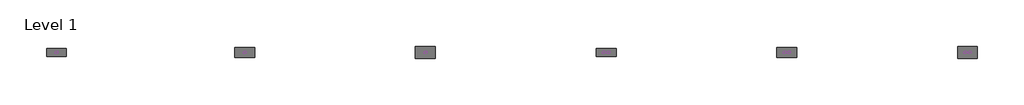
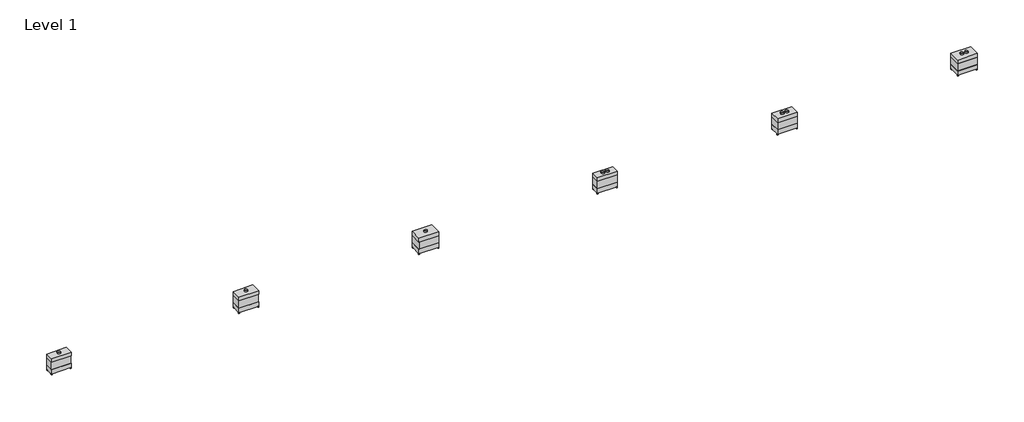
# One storey: 15 proxies.
"""IFC4 building model written with IfcOpenShell, lengths in millimetres."""

import ifcopenshell
import ifcopenshell.guid

model = None  # the IFC model being written
_history = None  # IfcOwnerHistory: only IFC2X3 demands one
_inside = {}  # id of a spatial element -> (the spatial element, [elements in it])
_under = {}  # id of a project, library or spatial element -> (it, [spatial elements below it])
_declared = {}  # id of a project -> (the project, [libraries it declares])
_typed = {}  # id of a type object -> (the type object, [elements of that type])
_made_of = {}  # id of a material, layer set ... -> (it, [elements and type objects made of it])


def new_model(schema):
    """Start an empty IFC model of exactly this schema.

    Asked for "IFC4X3", IfcOpenShell would pick the latest addendum, in which some entities
    have other attributes; the version numbers below select the first issue.
    IFC2X3 requires an IfcOwnerHistory on every rooted entity: one is made here for all.
    """
    global model, _history
    if schema == "IFC4X3":
        model = ifcopenshell.file(schema_version=(4, 3, 0, 0))
    else:
        model = ifcopenshell.file(schema=schema)
    _inside.clear()
    _under.clear()
    _declared.clear()
    _typed.clear()
    _made_of.clear()
    _history = None
    if model.schema == "IFC2X3":
        org = make("IfcOrganization", Name="unknown")
        user = make(
            "IfcPersonAndOrganization",
            ThePerson=make("IfcPerson", FamilyName="unknown"),
            TheOrganization=org,
        )
        app = make(
            "IfcApplication",
            ApplicationDeveloper=org,
            Version="unknown",
            ApplicationFullName="unknown",
            ApplicationIdentifier="unknown",
        )
        _history = make(
            "IfcOwnerHistory",
            OwningUser=user,
            OwningApplication=app,
            ChangeAction="ADDED",
            CreationDate=0,
        )
    return model


def make(cls, **values):
    """One entity of the class cls with the attributes given. An attribute that is None is left unset."""
    return model.create_entity(
        cls, **{name: value for name, value in values.items() if value is not None}
    )


def rooted(cls, **values):
    """An entity with a GlobalId (a new one), such as an element, a storey or a relation."""
    return make(cls, GlobalId=ifcopenshell.guid.new(), OwnerHistory=_history, **values)


def si_unit(unit_type, name, prefix=None):
    """IfcSIUnit, for example si_unit("LENGTHUNIT", "METRE", prefix="MILLI")."""
    return make("IfcSIUnit", UnitType=unit_type, Prefix=prefix, Name=name)


def assignment(units):
    """IfcUnitAssignment: the units of a project."""
    return None if units is None else make("IfcUnitAssignment", Units=units)


def point(xyz):
    """IfcCartesianPoint."""
    return None if xyz is None else make("IfcCartesianPoint", Coordinates=xyz)


def direction(xyz):
    """IfcDirection."""
    return None if xyz is None else make("IfcDirection", DirectionRatios=xyz)


def frame(location, z_axis=None, x_axis=None):
    """IfcAxis2Placement3D, a coordinate frame: its origin and axes. An axis left out is left unset."""
    return make(
        "IfcAxis2Placement3D",
        Location=point(location),
        Axis=direction(z_axis),
        RefDirection=direction(x_axis),
    )


def frame_2d(location, x_axis=None):
    """IfcAxis2Placement2D, a coordinate frame in the plane: its origin and x axis."""
    return make(
        "IfcAxis2Placement2D", Location=point(location), RefDirection=direction(x_axis)
    )


def origin():
    """The frame at (0, 0, 0) with its axes left unset."""
    return frame((0.0, 0.0, 0.0))


def origin_with_axes():
    """The frame at (0, 0, 0) with the z axis (0, 0, 1) and the x axis (1, 0, 0) written out."""
    return frame((0.0, 0.0, 0.0), z_axis=(0.0, 0.0, 1.0), x_axis=(1.0, 0.0, 0.0))


def origin_2d():
    """The frame at (0, 0) in the plane with its x axis left unset."""
    return frame_2d((0.0, 0.0))


def place(relative_to, where):
    """IfcLocalPlacement: puts the frame where relative to a parent placement (None: the world)."""
    return make(
        "IfcLocalPlacement", PlacementRelTo=relative_to, RelativePlacement=where
    )


def context(
    kind, dimensions, precision=None, world=None, true_north=None, identifier=None
):
    """IfcGeometricRepresentationContext, for example the 3D "Model" context."""
    return make(
        "IfcGeometricRepresentationContext",
        ContextIdentifier=identifier,
        ContextType=kind,
        CoordinateSpaceDimension=dimensions,
        Precision=precision,
        WorldCoordinateSystem=world,
        TrueNorth=true_north,
    )


def project(units=None, contexts=None):
    """IfcProject with its units and contexts."""
    return rooted(
        "IfcProject",
        Name="project",
        RepresentationContexts=contexts,
        UnitsInContext=assignment(units),
    )


def spatial(cls, under=None, at=None, **own):
    """A site, building, storey or space (cls), placed at a placement, below another one or the project."""
    s = rooted(cls, ObjectPlacement=at, **own)
    if under is not None:
        _under.setdefault(under.id(), (under, []))[1].append(s)
    return s


def polyline(points):
    """IfcPolyline through the points."""
    return make("IfcPolyline", Points=[point(p) for p in points])


def circle_curve(where, radius):
    """IfcCircle in the frame where."""
    return make("IfcCircle", Position=where, Radius=radius)


def trimmed(basis, trim1, trim2, sense, master):
    """IfcTrimmedCurve: the piece of a basis curve between two trims."""
    return make(
        "IfcTrimmedCurve",
        BasisCurve=basis,
        Trim1=trim1,
        Trim2=trim2,
        SenseAgreement=sense,
        MasterRepresentation=master,
    )


def segment(curve, same_sense, transition):
    """IfcCompositeCurveSegment."""
    return make(
        "IfcCompositeCurveSegment",
        Transition=transition,
        SameSense=same_sense,
        ParentCurve=curve,
    )


def composite_curve(segments, self_intersect=None):
    """IfcCompositeCurve: segments joined end to end."""
    return make("IfcCompositeCurve", Segments=segments, SelfIntersect=self_intersect)


def outline(outer, holes=None, kind="AREA"):
    """IfcArbitraryClosedProfileDef: a profile drawn as a closed curve; with holes, ...WithVoids."""
    if holes is None:
        return make("IfcArbitraryClosedProfileDef", ProfileType=kind, OuterCurve=outer)
    return make(
        "IfcArbitraryProfileDefWithVoids",
        ProfileType=kind,
        OuterCurve=outer,
        InnerCurves=holes,
    )


def extrude(swept, where, along, depth):
    """IfcExtrudedAreaSolid: the profile swept, set in the frame where, extruded along a direction by depth."""
    return make(
        "IfcExtrudedAreaSolid",
        SweptArea=swept,
        Position=where,
        ExtrudedDirection=direction(along),
        Depth=depth,
    )


def shape(context_of_items, identifier, shape_type, items):
    """IfcShapeRepresentation: the items that make up one representation, for example the "Body"."""
    return make(
        "IfcShapeRepresentation",
        ContextOfItems=context_of_items,
        RepresentationIdentifier=identifier,
        RepresentationType=shape_type,
        Items=items,
    )


def source(mapping_origin, context_of_items, identifier, shape_type, items):
    """IfcRepresentationMap: a shape defined once, which mapped items show again and again."""
    return make(
        "IfcRepresentationMap",
        MappingOrigin=mapping_origin,
        MappedRepresentation=shape(context_of_items, identifier, shape_type, items),
    )


def transform(
    local_origin,
    x_axis=None,
    y_axis=None,
    z_axis=None,
    scale=None,
    scale2=None,
    scale3=None,
    uniform=True,
):
    """IfcCartesianTransformationOperator3D, or its non-uniform kind. x_axis, y_axis, z_axis: its Axis1, 2, 3."""
    if uniform:
        return make(
            "IfcCartesianTransformationOperator3D",
            Axis1=direction(x_axis),
            Axis2=direction(y_axis),
            LocalOrigin=point(local_origin),
            Scale=scale,
            Axis3=direction(z_axis),
        )
    return make(
        "IfcCartesianTransformationOperator3DnonUniform",
        Axis1=direction(x_axis),
        Axis2=direction(y_axis),
        LocalOrigin=point(local_origin),
        Scale=scale,
        Axis3=direction(z_axis),
        Scale2=scale2,
        Scale3=scale3,
    )


def mapped(mapping_source, mapping_target):
    """IfcMappedItem: shows the shape of a source again, moved by a transform."""
    return make(
        "IfcMappedItem", MappingSource=mapping_source, MappingTarget=mapping_target
    )


def made_of(thing, what):
    """Note that an element or type object is made of a material, layer set ...; save() writes the relation."""
    if what is not None:
        _made_of.setdefault(what.id(), (what, []))[1].append(thing)
    return thing


def element(
    cls,
    number,
    at=None,
    inside=None,
    cuts=None,
    type_object=None,
    material=None,
    context=None,
    identifier="Body",
    shape_type=None,
    held_by="IfcProductDefinitionShape",
    body=None,
    shapes=None,
    **own,
):
    """One element of the class cls, such as IfcWall. Its Tag is "e" and its number.

    at: its placement. inside: the storey or other place that contains it. cuts: it is an
    opening in that element (IfcRelVoidsElement). A single representation is given by context,
    identifier, shape_type and body (its items); several are given by shapes. held_by: the class
    of the entity that holds the representations. save() writes the other relations.
    """
    e = rooted(cls, Tag="e%d" % number, ObjectPlacement=at, **own)
    if body is not None:
        shapes = [shape(context, identifier, shape_type, body)]
    if shapes is not None:
        e.Representation = make(held_by, Representations=shapes)
    if inside is not None:
        _inside.setdefault(inside.id(), (inside, []))[1].append(e)
    if cuts is not None:
        rooted(
            "IfcRelVoidsElement", RelatingBuildingElement=cuts, RelatedOpeningElement=e
        )
    if type_object is not None:
        _typed.setdefault(type_object.id(), (type_object, []))[1].append(e)
    return made_of(e, material)


def aggregate(whole, parts):
    """IfcRelAggregates: a whole, such as a stair, and the parts it consists of."""
    return rooted("IfcRelAggregates", RelatingObject=whole, RelatedObjects=parts)


def save(model, path):
    """Write the relations noted so far, then the file.

    IfcRelAggregates (storeys below a building ...), IfcRelContainedInSpatialStructure (elements
    in a storey), IfcRelDefinesByType, IfcRelAssociatesMaterial and IfcRelDeclares: one each for
    every whole, place, type object, material and project.
    """
    for whole, parts in _under.values():
        aggregate(whole, parts)
    for where, things in _inside.values():
        rooted(
            "IfcRelContainedInSpatialStructure",
            RelatedElements=things,
            RelatingStructure=where,
        )
    for kind, things in _typed.values():
        rooted("IfcRelDefinesByType", RelatedObjects=things, RelatingType=kind)
    for what, things in _made_of.values():
        rooted("IfcRelAssociatesMaterial", RelatedObjects=things, RelatingMaterial=what)
    for by, libraries in _declared.values():
        rooted("IfcRelDeclares", RelatingContext=by, RelatedDefinitions=libraries)
    model.write(path)


def as_specified_67a2ca55(model_context):
    return source(origin(), model_context, "Body", "SweptSolid", [
        extrude(outline(polyline([(763.5875, 306.3875), (763.5875, -306.3875), (-763.5875, -306.3875), (-763.5875, 306.3875), (763.5875, 306.3875)])), frame((0.0, 0.0, 431.8), z_axis=(0.0, 0.0, 1.0), x_axis=(1.0, 0.0, 0.0)), (0.0, 0.0, 1.0), 609.6),
        extrude(outline(polyline([(774.7, 317.5), (774.7, -317.5), (-774.7, -317.5), (-774.7, 317.5), (774.7, 317.5)])), frame((0.0, 0.0, 1041.4), z_axis=(0.0, 0.0, 1.0), x_axis=(1.0, 0.0, 0.0)), (0.0, 0.0, 1.0), 304.8),
        extrude(outline(polyline([(660.4, 228.6), (660.4, 152.4), (584.2, 152.4), (584.2, 228.6), (660.4, 228.6)])), frame((0.0, 0.0, 50.8), z_axis=(0.0, 0.0, 1.0), x_axis=(1.0, 0.0, 0.0)), (0.0, 0.0, 1.0), 25.4),
        extrude(outline(polyline([(660.4, -228.6), (584.2, -228.6), (584.2, -152.4), (660.4, -152.4), (660.4, -228.6)])), frame((0.0, 0.0, 50.8), z_axis=(0.0, 0.0, 1.0), x_axis=(1.0, 0.0, 0.0)), (0.0, 0.0, 1.0), 25.4),
        extrude(outline(polyline([(-698.5, 317.5), (-698.5, 241.3), (-774.7, 241.3), (-774.7, 317.5), (-698.5, 317.5)])), origin_with_axes(), (0.0, 0.0, 1.0), 76.2),
        extrude(outline(polyline([(774.7, 317.5), (774.7, 241.3), (698.5, 241.3), (698.5, 317.5), (774.7, 317.5)])), origin_with_axes(), (0.0, 0.0, 1.0), 76.2),
        extrude(outline(polyline([(774.7, -241.3), (774.7, -317.5), (698.5, -317.5), (698.5, -241.3), (774.7, -241.3)])), origin_with_axes(), (0.0, 0.0, 1.0), 76.2),
        extrude(outline(polyline([(-698.5, -241.3), (-698.5, -317.5), (-774.7, -317.5), (-774.7, -241.3), (-698.5, -241.3)])), origin_with_axes(), (0.0, 0.0, 1.0), 76.2),
        extrude(outline(polyline([(774.7, 317.5), (774.7, -317.5), (-774.7, -317.5), (-774.7, 317.5), (774.7, 317.5)])), frame((0.0, 0.0, 76.2), z_axis=(0.0, 0.0, 1.0), x_axis=(1.0, 0.0, 0.0)), (0.0, 0.0, 1.0), 355.6),
    ])


def as_specified_ba702985(model_context):
    return source(origin(), model_context, "Body", "SweptSolid", [
        extrude(outline(polyline([(763.5875, 382.5875), (763.5875, -382.5875), (-763.5875, -382.5875), (-763.5875, 382.5875), (763.5875, 382.5875)])), frame((0.0, 0.0, 431.8), z_axis=(0.0, 0.0, 1.0), x_axis=(1.0, 0.0, 0.0)), (0.0, 0.0, 1.0), 609.6),
        extrude(outline(polyline([(774.7, 393.7), (774.7, -393.7), (-774.7, -393.7), (-774.7, 393.7), (774.7, 393.7)])), frame((0.0, 0.0, 1041.4), z_axis=(0.0, 0.0, 1.0), x_axis=(1.0, 0.0, 0.0)), (0.0, 0.0, 1.0), 304.8),
        extrude(outline(polyline([(660.4, 228.6), (660.4, 152.4), (584.2, 152.4), (584.2, 228.6), (660.4, 228.6)])), frame((0.0, 0.0, 50.8), z_axis=(0.0, 0.0, 1.0), x_axis=(1.0, 0.0, 0.0)), (0.0, 0.0, 1.0), 25.4),
        extrude(outline(polyline([(660.4, -228.6), (584.2, -228.6), (584.2, -152.4), (660.4, -152.4), (660.4, -228.6)])), frame((0.0, 0.0, 50.8), z_axis=(0.0, 0.0, 1.0), x_axis=(1.0, 0.0, 0.0)), (0.0, 0.0, 1.0), 25.4),
        extrude(outline(polyline([(-698.5, 393.7), (-698.5, 317.5), (-774.7, 317.5), (-774.7, 393.7), (-698.5, 393.7)])), origin_with_axes(), (0.0, 0.0, 1.0), 76.2),
        extrude(outline(polyline([(774.7, 393.7), (774.7, 317.5), (698.5, 317.5), (698.5, 393.7), (774.7, 393.7)])), origin_with_axes(), (0.0, 0.0, 1.0), 76.2),
        extrude(outline(polyline([(774.7, -317.5), (774.7, -393.7), (698.5, -393.7), (698.5, -317.5), (774.7, -317.5)])), origin_with_axes(), (0.0, 0.0, 1.0), 76.2),
        extrude(outline(polyline([(-698.5, -317.5), (-698.5, -393.7), (-774.7, -393.7), (-774.7, -317.5), (-698.5, -317.5)])), origin_with_axes(), (0.0, 0.0, 1.0), 76.2),
        extrude(outline(polyline([(774.7, 393.7), (774.7, -393.7), (-774.7, -393.7), (-774.7, 393.7), (774.7, 393.7)])), frame((0.0, 0.0, 76.2), z_axis=(0.0, 0.0, 1.0), x_axis=(1.0, 0.0, 0.0)), (0.0, 0.0, 1.0), 355.6),
    ])


def as_specified_da9e8ef7(model_context):
    return source(origin(), model_context, "Body", "SweptSolid", [
        extrude(outline(polyline([(763.5875, 458.7875), (763.5875, -458.7875), (-763.5875, -458.7875), (-763.5875, 458.7875), (763.5875, 458.7875)])), frame((0.0, 0.0, 431.8), z_axis=(0.0, 0.0, 1.0), x_axis=(1.0, 0.0, 0.0)), (0.0, 0.0, 1.0), 609.6),
        extrude(outline(polyline([(774.7, 469.9), (774.7, -469.9), (-774.7, -469.9), (-774.7, 469.9), (774.7, 469.9)])), frame((0.0, 0.0, 1041.4), z_axis=(0.0, 0.0, 1.0), x_axis=(1.0, 0.0, 0.0)), (0.0, 0.0, 1.0), 304.8),
        extrude(outline(polyline([(660.4, 254.0), (660.4, 177.8), (584.2, 177.8), (584.2, 254.0), (660.4, 254.0)])), frame((0.0, 0.0, 50.8), z_axis=(0.0, 0.0, 1.0), x_axis=(1.0, 0.0, 0.0)), (0.0, 0.0, 1.0), 25.4),
        extrude(outline(polyline([(660.4, -177.8), (660.4, -254.0), (584.2, -254.0), (584.2, -177.8), (660.4, -177.8)])), frame((0.0, 0.0, 50.8), z_axis=(0.0, 0.0, 1.0), x_axis=(1.0, 0.0, 0.0)), (0.0, 0.0, 1.0), 25.4),
        extrude(outline(polyline([(-698.5, 469.9), (-698.5, 393.7), (-774.7, 393.7), (-774.7, 469.9), (-698.5, 469.9)])), origin_with_axes(), (0.0, 0.0, 1.0), 76.2),
        extrude(outline(polyline([(774.7, 469.9), (774.7, 393.7), (698.5, 393.7), (698.5, 469.9), (774.7, 469.9)])), origin_with_axes(), (0.0, 0.0, 1.0), 76.2),
        extrude(outline(polyline([(774.7, -393.7), (774.7, -469.9), (698.5, -469.9), (698.5, -393.7), (774.7, -393.7)])), origin_with_axes(), (0.0, 0.0, 1.0), 76.2),
        extrude(outline(polyline([(-698.5, -393.7), (-698.5, -469.9), (-774.7, -469.9), (-774.7, -393.7), (-698.5, -393.7)])), origin_with_axes(), (0.0, 0.0, 1.0), 76.2),
        extrude(outline(polyline([(774.7, 469.9), (774.7, -469.9), (-774.7, -469.9), (-774.7, 469.9), (774.7, 469.9)])), frame((0.0, 0.0, 76.2), z_axis=(0.0, 0.0, 1.0), x_axis=(1.0, 0.0, 0.0)), (0.0, 0.0, 1.0), 355.6),
    ])


def proxy_0afa765f(model_context):
    return source(origin(), model_context, "Body", "SweptSolid", [
        extrude(outline(composite_curve([segment(trimmed(circle_curve(origin_2d(), 123.825), [point((-123.825, 0.0))], [point((123.825, 0.0))], False, "CARTESIAN"), True, "CONTINUOUS"), segment(trimmed(circle_curve(origin_2d(), 123.825), [point((123.825, 0.0))], [point((-123.825, 0.0))], False, "CARTESIAN"), True, "CONTINUOUS")], self_intersect=False), holes=[composite_curve([segment(trimmed(circle_curve(origin_2d(), 122.2375), [point((-122.2375, 0.0))], [point((122.2375, 0.0))], True, "CARTESIAN"), True, "CONTINUOUS"), segment(trimmed(circle_curve(origin_2d(), 122.2375), [point((122.2375, 0.0))], [point((-122.2375, 0.0))], True, "CARTESIAN"), True, "CONTINUOUS")], self_intersect=False)]), origin_with_axes(), (0.0, 0.0, 1.0), 101.6),
    ])


def proxy_41967977(model_context):
    return source(origin(), model_context, "Body", "SweptSolid", [
        extrude(outline(composite_curve([segment(trimmed(circle_curve(origin_2d(), 125.4125), [point((-125.4125, 0.0))], [point((125.4125, 0.0))], False, "CARTESIAN"), True, "CONTINUOUS"), segment(trimmed(circle_curve(origin_2d(), 125.4125), [point((125.4125, 0.0))], [point((-125.4125, 0.0))], False, "CARTESIAN"), True, "CONTINUOUS")], self_intersect=False), holes=[composite_curve([segment(trimmed(circle_curve(origin_2d(), 123.825), [point((-123.825, 0.0))], [point((123.825, 0.0))], True, "CARTESIAN"), True, "CONTINUOUS"), segment(trimmed(circle_curve(origin_2d(), 123.825), [point((123.825, 0.0))], [point((-123.825, 0.0))], True, "CARTESIAN"), True, "CONTINUOUS")], self_intersect=False)]), origin_with_axes(), (0.0, 0.0, 1.0), 101.6),
    ])


model = new_model("IFC4")

# Units and contexts
model_context = context("Model", 3, world=origin())
ifc_project = project(units=[si_unit("LENGTHUNIT", "METRE", prefix="MILLI")], contexts=[model_context])

# Site, building, storey
site = spatial("IfcSite", under=ifc_project)
building = spatial("IfcBuilding", under=site)
storey = spatial("IfcBuildingStorey", under=building, Name="Level 1", Elevation=0.0)

# Proxies
placement = place(None, origin())
as_specified_shape = as_specified_67a2ca55(model_context)
element("IfcBuildingElementProxy", 1, Name="As Specified", ObjectType="As Specified", at=placement, inside=storey, context=model_context, shape_type="MappedRepresentation", body=[
    mapped(as_specified_shape, transform((-14001.2198318, 1759.745518, 0.0), x_axis=(1.0, 0.0, 0.0), y_axis=(0.0, 1.0, 0.0), z_axis=(0.0, 0.0, 1.0))),
])
as_specified_2_shape = as_specified_ba702985(model_context)
element("IfcBuildingElementProxy", 2, Name="As Specified", ObjectType="As Specified", at=placement, inside=storey, context=model_context, shape_type="MappedRepresentation", body=[
    mapped(as_specified_2_shape, transform((618.0574402, 1759.745518, 0.0), x_axis=(1.0, 0.0, 0.0), y_axis=(0.0, 1.0, 0.0), z_axis=(0.0, 0.0, 1.0))),
])
as_specified_3_shape = as_specified_da9e8ef7(model_context)
element("IfcBuildingElementProxy", 3, Name="As Specified", ObjectType="As Specified", at=placement, inside=storey, context=model_context, shape_type="MappedRepresentation", body=[
    mapped(as_specified_3_shape, transform((14649.9801682, 1759.745518, 0.0), x_axis=(1.0, 0.0, 0.0), y_axis=(0.0, 1.0, 0.0), z_axis=(0.0, 0.0, 1.0))),
])
element("IfcBuildingElementProxy", 4, Name="As Specified", ObjectType="As Specified", at=placement, inside=storey, context=model_context, shape_type="MappedRepresentation", body=[
    mapped(as_specified_shape, transform((28681.9028963, 1759.745518, 0.0), x_axis=(1.0, 0.0, 0.0), y_axis=(0.0, 1.0, 0.0), z_axis=(0.0, 0.0, 1.0))),
])
element("IfcBuildingElementProxy", 5, Name="As Specified", ObjectType="As Specified", at=placement, inside=storey, context=model_context, shape_type="MappedRepresentation", body=[
    mapped(as_specified_2_shape, transform((42713.8256243, 1759.745518, 0.0), x_axis=(1.0, 0.0, 0.0), y_axis=(0.0, 1.0, 0.0), z_axis=(0.0, 0.0, 1.0))),
])
element("IfcBuildingElementProxy", 6, Name="As Specified", ObjectType="As Specified", at=placement, inside=storey, context=model_context, shape_type="MappedRepresentation", body=[
    mapped(as_specified_3_shape, transform((56745.7483524, 1759.745518, 0.0), x_axis=(1.0, 0.0, 0.0), y_axis=(0.0, 1.0, 0.0), z_axis=(0.0, 0.0, 1.0))),
])
proxy_shape = proxy_0afa765f(model_context)
element("IfcBuildingElementProxy", 7, Name="Duct Dia : 9 3/4\" Dia.", ObjectType="Duct Dia : 9 3/4\" Dia.", at=placement, inside=storey, context=model_context, shape_type="MappedRepresentation", body=[
    mapped(proxy_shape, transform((-14001.2198318, 1759.745518, 1346.2), x_axis=(-1.0, 0.0, 0.0), y_axis=(0.0, -1.0, 0.0), z_axis=(0.0, 0.0, 1.0))),
])
element("IfcBuildingElementProxy", 8, Name="Duct Dia : 9 3/4\" Dia.", ObjectType="Duct Dia : 9 3/4\" Dia.", at=placement, inside=storey, context=model_context, shape_type="MappedRepresentation", body=[
    mapped(proxy_shape, transform((618.0574402, 1759.745518, 1346.2), x_axis=(-1.0, 0.0, 0.0), y_axis=(0.0, -1.0, 0.0), z_axis=(0.0, 0.0, 1.0))),
])
element("IfcBuildingElementProxy", 9, Name="Duct Dia : 9 3/4\" Dia.", ObjectType="Duct Dia : 9 3/4\" Dia.", at=placement, inside=storey, context=model_context, shape_type="MappedRepresentation", body=[
    mapped(proxy_shape, transform((14649.9801682, 1759.745518, 1346.2), x_axis=(-1.0, 0.0, 0.0), y_axis=(0.0, -1.0, 0.0), z_axis=(0.0, 0.0, 1.0))),
])
element("IfcBuildingElementProxy", 10, Name="Duct Dia : 9 3/4\" Dia.", ObjectType="Duct Dia : 9 3/4\" Dia.", at=placement, inside=storey, context=model_context, shape_type="MappedRepresentation", body=[
    mapped(proxy_shape, transform((28859.7028963, 1759.745518, 1346.2), x_axis=(-1.0, 0.0, 0.0), y_axis=(0.0, -1.0, 0.0), z_axis=(0.0, 0.0, 1.0))),
])
element("IfcBuildingElementProxy", 11, Name="Duct Dia : 9 3/4\" Dia.", ObjectType="Duct Dia : 9 3/4\" Dia.", at=placement, inside=storey, context=model_context, shape_type="MappedRepresentation", body=[
    mapped(proxy_shape, transform((42891.6256243, 1759.745518, 1346.2), x_axis=(-1.0, 0.0, 0.0), y_axis=(0.0, -1.0, 0.0), z_axis=(0.0, 0.0, 1.0))),
])
element("IfcBuildingElementProxy", 12, Name="Duct Dia : 9 3/4\" Dia.", ObjectType="Duct Dia : 9 3/4\" Dia.", at=placement, inside=storey, context=model_context, shape_type="MappedRepresentation", body=[
    mapped(proxy_shape, transform((56923.5483524, 1759.745518, 1346.2), x_axis=(-1.0, 0.0, 0.0), y_axis=(0.0, -1.0, 0.0), z_axis=(0.0, 0.0, 1.0))),
])
proxy_2_shape = proxy_41967977(model_context)
element("IfcBuildingElementProxy", 13, Name="Duct Dia : 9 7/8\" Dia.", ObjectType="Duct Dia : 9 7/8\" Dia.", at=placement, inside=storey, context=model_context, shape_type="MappedRepresentation", body=[
    mapped(proxy_2_shape, transform((28504.1028963, 1759.745518, 1346.2), x_axis=(-1.0, 0.0, 0.0), y_axis=(0.0, -1.0, 0.0), z_axis=(0.0, 0.0, 1.0))),
])
element("IfcBuildingElementProxy", 14, Name="Duct Dia : 9 7/8\" Dia.", ObjectType="Duct Dia : 9 7/8\" Dia.", at=placement, inside=storey, context=model_context, shape_type="MappedRepresentation", body=[
    mapped(proxy_2_shape, transform((42536.0256243, 1759.745518, 1346.2), x_axis=(-1.0, 0.0, 0.0), y_axis=(0.0, -1.0, 0.0), z_axis=(0.0, 0.0, 1.0))),
])
element("IfcBuildingElementProxy", 15, Name="Duct Dia : 9 7/8\" Dia.", ObjectType="Duct Dia : 9 7/8\" Dia.", at=placement, inside=storey, context=model_context, shape_type="MappedRepresentation", body=[
    mapped(proxy_2_shape, transform((56567.9483524, 1759.745518, 1346.2), x_axis=(-1.0, 0.0, 0.0), y_axis=(0.0, -1.0, 0.0), z_axis=(0.0, 0.0, 1.0))),
])

save(model, "model.ifc")
